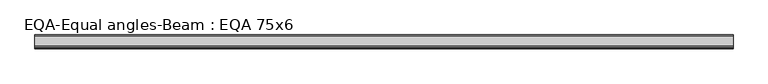
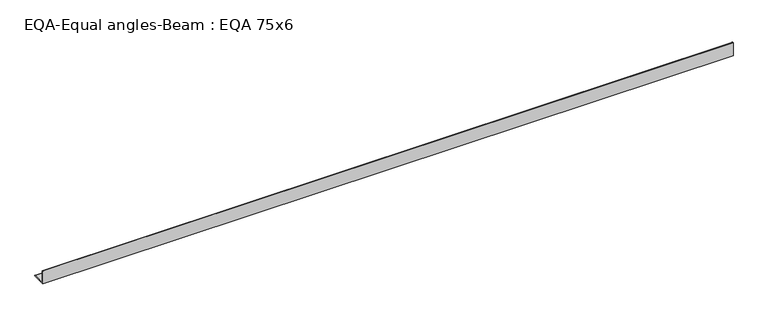
"""IFC4 building model written with IfcOpenShell, lengths in millimetres: beam geometry, EQA-Equal angles-Beam : EQA 75x6."""

from ifc_helpers import new_model, si_unit, point, frame, frame_2d, origin, place, context, project, spatial, polyline, circle_curve, trimmed, segment, composite_curve, outline, extrude, source, transform, mapped, element, save


def eqa_equal_angles_beam_eqa_75x6_2f7b8a35(model_context):
    return source(origin(), model_context, "Body", "SweptSolid", [
        extrude(outline(composite_curve([segment(polyline([(-20.5, -20.5), (-20.5, 54.5), (-19.0, 54.5)]), True, "CONTINUOUS"), segment(trimmed(circle_curve(frame_2d((-19.0, 50.0)), 4.5), [point((-19.0, 54.5))], [point((-14.5, 50.0))], False, "CARTESIAN"), True, "CONTINUOUS"), segment(polyline([(-14.5, 50.0), (-14.5, -5.5)]), True, "CONTINUOUS"), segment(trimmed(circle_curve(frame_2d((-5.5, -5.5)), 9.0), [point((-14.5, -5.5))], [point((-5.5, -14.5))], True, "CARTESIAN"), True, "CONTINUOUS"), segment(polyline([(-5.5, -14.5), (50.0, -14.5)]), True, "CONTINUOUS"), segment(trimmed(circle_curve(frame_2d((50.0, -19.0)), 4.5), [point((50.0, -14.5))], [point((54.5, -19.0))], False, "CARTESIAN"), True, "CONTINUOUS"), segment(polyline([(54.5, -19.0), (54.5, -20.5), (-20.5, -20.5)]), True, "CONTINUOUS")], self_intersect=False)), frame((-1700.8584658, 0.0, 0.0), z_axis=(1.0, 0.0, 0.0), x_axis=(0.0, 1.0, 0.0)), (0.0, 0.0, 1.0), 3790.4448469),
    ])


if __name__ == "__main__":
    model = new_model("IFC4")
    model_context = context("Model", 3, world=origin())
    ifc_project = project(units=[si_unit("LENGTHUNIT", "METRE", prefix="MILLI")], contexts=[model_context])
    site = spatial("IfcSite", under=ifc_project)
    building = spatial("IfcBuilding", under=site)
    placement = place(None, origin())
    eqa_equal_angles_beam_eqa_75x6_shape = eqa_equal_angles_beam_eqa_75x6_2f7b8a35(model_context)
    element("IfcBeam", 1, ObjectType="EQA-Equal angles-Beam : EQA 75x6", at=placement, inside=building, context=model_context, shape_type="MappedRepresentation", body=[
        mapped(eqa_equal_angles_beam_eqa_75x6_shape, transform((0.0, 0.0, 0.0), x_axis=(1.0, 0.0, 0.0), y_axis=(0.0, 1.0, 0.0), z_axis=(0.0, 0.0, 1.0))),
    ])
    save(model, "model.ifc")
